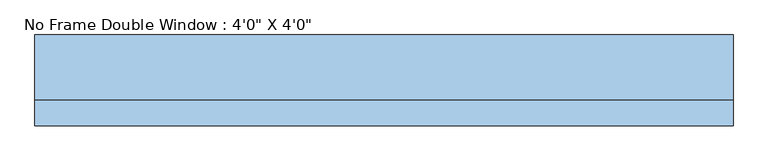
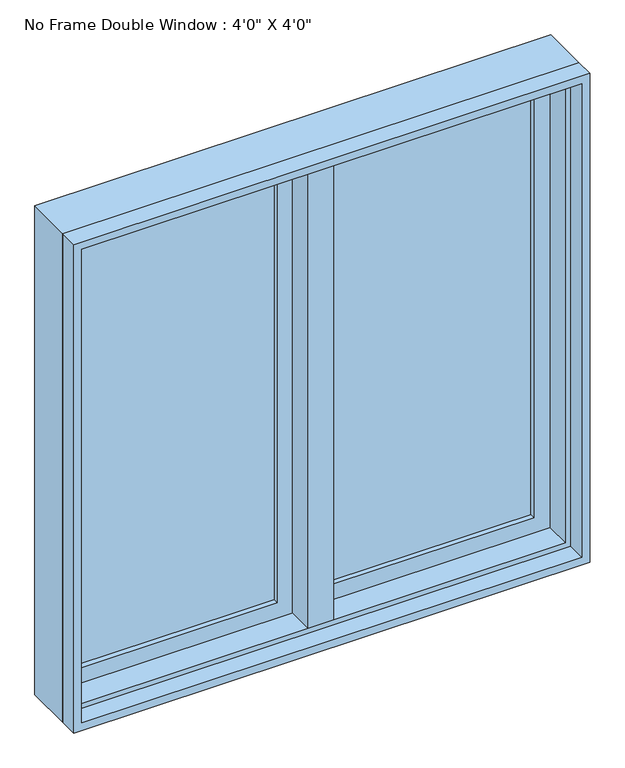
"""IFC4 building model written with IfcOpenShell, lengths in millimetres: window geometry."""

import ifcopenshell
import ifcopenshell.guid

model = None  # the IFC model being written
_history = None  # IfcOwnerHistory: only IFC2X3 demands one
_inside = {}  # id of a spatial element -> (the spatial element, [elements in it])
_under = {}  # id of a project, library or spatial element -> (it, [spatial elements below it])
_declared = {}  # id of a project -> (the project, [libraries it declares])
_typed = {}  # id of a type object -> (the type object, [elements of that type])
_made_of = {}  # id of a material, layer set ... -> (it, [elements and type objects made of it])


def new_model(schema):
    """Start an empty IFC model of exactly this schema.

    Asked for "IFC4X3", IfcOpenShell would pick the latest addendum, in which some entities
    have other attributes; the version numbers below select the first issue.
    IFC2X3 requires an IfcOwnerHistory on every rooted entity: one is made here for all.
    """
    global model, _history
    if schema == "IFC4X3":
        model = ifcopenshell.file(schema_version=(4, 3, 0, 0))
    else:
        model = ifcopenshell.file(schema=schema)
    _inside.clear()
    _under.clear()
    _declared.clear()
    _typed.clear()
    _made_of.clear()
    _history = None
    if model.schema == "IFC2X3":
        org = make("IfcOrganization", Name="unknown")
        user = make(
            "IfcPersonAndOrganization",
            ThePerson=make("IfcPerson", FamilyName="unknown"),
            TheOrganization=org,
        )
        app = make(
            "IfcApplication",
            ApplicationDeveloper=org,
            Version="unknown",
            ApplicationFullName="unknown",
            ApplicationIdentifier="unknown",
        )
        _history = make(
            "IfcOwnerHistory",
            OwningUser=user,
            OwningApplication=app,
            ChangeAction="ADDED",
            CreationDate=0,
        )
    return model


def make(cls, **values):
    """One entity of the class cls with the attributes given. An attribute that is None is left unset."""
    return model.create_entity(
        cls, **{name: value for name, value in values.items() if value is not None}
    )


def rooted(cls, **values):
    """An entity with a GlobalId (a new one), such as an element, a storey or a relation."""
    return make(cls, GlobalId=ifcopenshell.guid.new(), OwnerHistory=_history, **values)


def si_unit(unit_type, name, prefix=None):
    """IfcSIUnit, for example si_unit("LENGTHUNIT", "METRE", prefix="MILLI")."""
    return make("IfcSIUnit", UnitType=unit_type, Prefix=prefix, Name=name)


def assignment(units):
    """IfcUnitAssignment: the units of a project."""
    return None if units is None else make("IfcUnitAssignment", Units=units)


def point(xyz):
    """IfcCartesianPoint."""
    return None if xyz is None else make("IfcCartesianPoint", Coordinates=xyz)


def direction(xyz):
    """IfcDirection."""
    return None if xyz is None else make("IfcDirection", DirectionRatios=xyz)


def frame(location, z_axis=None, x_axis=None):
    """IfcAxis2Placement3D, a coordinate frame: its origin and axes. An axis left out is left unset."""
    return make(
        "IfcAxis2Placement3D",
        Location=point(location),
        Axis=direction(z_axis),
        RefDirection=direction(x_axis),
    )


def origin():
    """The frame at (0, 0, 0) with its axes left unset."""
    return frame((0.0, 0.0, 0.0))


def place(relative_to, where):
    """IfcLocalPlacement: puts the frame where relative to a parent placement (None: the world)."""
    return make(
        "IfcLocalPlacement", PlacementRelTo=relative_to, RelativePlacement=where
    )


def context(
    kind, dimensions, precision=None, world=None, true_north=None, identifier=None
):
    """IfcGeometricRepresentationContext, for example the 3D "Model" context."""
    return make(
        "IfcGeometricRepresentationContext",
        ContextIdentifier=identifier,
        ContextType=kind,
        CoordinateSpaceDimension=dimensions,
        Precision=precision,
        WorldCoordinateSystem=world,
        TrueNorth=true_north,
    )


def project(units=None, contexts=None):
    """IfcProject with its units and contexts."""
    return rooted(
        "IfcProject",
        Name="project",
        RepresentationContexts=contexts,
        UnitsInContext=assignment(units),
    )


def spatial(cls, under=None, at=None, **own):
    """A site, building, storey or space (cls), placed at a placement, below another one or the project."""
    s = rooted(cls, ObjectPlacement=at, **own)
    if under is not None:
        _under.setdefault(under.id(), (under, []))[1].append(s)
    return s


def polyline(points):
    """IfcPolyline through the points."""
    return make("IfcPolyline", Points=[point(p) for p in points])


def outline(outer, holes=None, kind="AREA"):
    """IfcArbitraryClosedProfileDef: a profile drawn as a closed curve; with holes, ...WithVoids."""
    if holes is None:
        return make("IfcArbitraryClosedProfileDef", ProfileType=kind, OuterCurve=outer)
    return make(
        "IfcArbitraryProfileDefWithVoids",
        ProfileType=kind,
        OuterCurve=outer,
        InnerCurves=holes,
    )


def extrude(swept, where, along, depth):
    """IfcExtrudedAreaSolid: the profile swept, set in the frame where, extruded along a direction by depth."""
    return make(
        "IfcExtrudedAreaSolid",
        SweptArea=swept,
        Position=where,
        ExtrudedDirection=direction(along),
        Depth=depth,
    )


def faces_of(points, faces, orient=None, outer=None):
    """IfcFace entities. A face is a list of loops; a loop is a list of indices into points, from 0.

    orient and outer hold one flag for each loop. By default every Orientation is true, the
    first loop of a face is its IfcFaceOuterBound and the others are IfcFaceBound.
    """
    made = []
    for i, loops in enumerate(faces):
        bounds = []
        for j, loop in enumerate(loops):
            is_outer = j == 0 if outer is None else outer[i][j]
            bounds.append(
                make(
                    "IfcFaceOuterBound" if is_outer else "IfcFaceBound",
                    Bound=make("IfcPolyLoop", Polygon=[points[k] for k in loop]),
                    Orientation=True if orient is None else orient[i][j],
                )
            )
        made.append(make("IfcFace", Bounds=bounds))
    return made


def faceted_brep(points, faces, orient=None, outer=None, voids=None):
    """IfcFacetedBrep: a solid bounded by flat faces; with voids (closed shells), ...WithVoids."""
    shared = [point(p) for p in points]
    hull = make("IfcClosedShell", CfsFaces=faces_of(shared, faces, orient, outer))
    if voids is None:
        return make("IfcFacetedBrep", Outer=hull)
    return make(
        "IfcFacetedBrepWithVoids",
        Outer=hull,
        Voids=[
            make(cls, CfsFaces=faces_of(shared, fs, o, b)) for cls, fs, o, b in voids
        ],
    )


def shape(context_of_items, identifier, shape_type, items):
    """IfcShapeRepresentation: the items that make up one representation, for example the "Body"."""
    return make(
        "IfcShapeRepresentation",
        ContextOfItems=context_of_items,
        RepresentationIdentifier=identifier,
        RepresentationType=shape_type,
        Items=items,
    )


def source(mapping_origin, context_of_items, identifier, shape_type, items):
    """IfcRepresentationMap: a shape defined once, which mapped items show again and again."""
    return make(
        "IfcRepresentationMap",
        MappingOrigin=mapping_origin,
        MappedRepresentation=shape(context_of_items, identifier, shape_type, items),
    )


def transform(
    local_origin,
    x_axis=None,
    y_axis=None,
    z_axis=None,
    scale=None,
    scale2=None,
    scale3=None,
    uniform=True,
):
    """IfcCartesianTransformationOperator3D, or its non-uniform kind. x_axis, y_axis, z_axis: its Axis1, 2, 3."""
    if uniform:
        return make(
            "IfcCartesianTransformationOperator3D",
            Axis1=direction(x_axis),
            Axis2=direction(y_axis),
            LocalOrigin=point(local_origin),
            Scale=scale,
            Axis3=direction(z_axis),
        )
    return make(
        "IfcCartesianTransformationOperator3DnonUniform",
        Axis1=direction(x_axis),
        Axis2=direction(y_axis),
        LocalOrigin=point(local_origin),
        Scale=scale,
        Axis3=direction(z_axis),
        Scale2=scale2,
        Scale3=scale3,
    )


def mapped(mapping_source, mapping_target):
    """IfcMappedItem: shows the shape of a source again, moved by a transform."""
    return make(
        "IfcMappedItem", MappingSource=mapping_source, MappingTarget=mapping_target
    )


def made_of(thing, what):
    """Note that an element or type object is made of a material, layer set ...; save() writes the relation."""
    if what is not None:
        _made_of.setdefault(what.id(), (what, []))[1].append(thing)
    return thing


def element(
    cls,
    number,
    at=None,
    inside=None,
    cuts=None,
    type_object=None,
    material=None,
    context=None,
    identifier="Body",
    shape_type=None,
    held_by="IfcProductDefinitionShape",
    body=None,
    shapes=None,
    **own,
):
    """One element of the class cls, such as IfcWall. Its Tag is "e" and its number.

    at: its placement. inside: the storey or other place that contains it. cuts: it is an
    opening in that element (IfcRelVoidsElement). A single representation is given by context,
    identifier, shape_type and body (its items); several are given by shapes. held_by: the class
    of the entity that holds the representations. save() writes the other relations.
    """
    e = rooted(cls, Tag="e%d" % number, ObjectPlacement=at, **own)
    if body is not None:
        shapes = [shape(context, identifier, shape_type, body)]
    if shapes is not None:
        e.Representation = make(held_by, Representations=shapes)
    if inside is not None:
        _inside.setdefault(inside.id(), (inside, []))[1].append(e)
    if cuts is not None:
        rooted(
            "IfcRelVoidsElement", RelatingBuildingElement=cuts, RelatedOpeningElement=e
        )
    if type_object is not None:
        _typed.setdefault(type_object.id(), (type_object, []))[1].append(e)
    return made_of(e, material)


def aggregate(whole, parts):
    """IfcRelAggregates: a whole, such as a stair, and the parts it consists of."""
    return rooted("IfcRelAggregates", RelatingObject=whole, RelatedObjects=parts)


def save(model, path):
    """Write the relations noted so far, then the file.

    IfcRelAggregates (storeys below a building ...), IfcRelContainedInSpatialStructure (elements
    in a storey), IfcRelDefinesByType, IfcRelAssociatesMaterial and IfcRelDeclares: one each for
    every whole, place, type object, material and project.
    """
    for whole, parts in _under.values():
        aggregate(whole, parts)
    for where, things in _inside.values():
        rooted(
            "IfcRelContainedInSpatialStructure",
            RelatedElements=things,
            RelatingStructure=where,
        )
    for kind, things in _typed.values():
        rooted("IfcRelDefinesByType", RelatedObjects=things, RelatingType=kind)
    for what, things in _made_of.values():
        rooted("IfcRelAssociatesMaterial", RelatedObjects=things, RelatingMaterial=what)
    for by, libraries in _declared.values():
        rooted("IfcRelDeclares", RelatingContext=by, RelatedDefinitions=libraries)
    model.write(path)


def window_1f388a4f(model_context):
    return source(origin(), model_context, "Body", "SolidModel", [
        faceted_brep([(9.525, 88.9, 2120.9), (-9.525, 88.9, 2120.9), (-9.525, 38.1, 2120.9), (9.525, 38.1, 2120.9), (9.525, 88.9, 927.1), (9.525, 38.1, 927.1), (-9.525, 38.1, 927.1), (-9.525, 88.9, 927.1), (-9.525, 38.1, 946.15), (-9.525, 38.1, 2101.85), (-30.1625, 38.1, 946.15), (-30.1625, 38.1, 2101.85), (-30.1625, -25.4, 946.15), (-30.1625, -25.4, 2101.85), (30.1625, -25.4, 946.15), (30.1625, -25.4, 2101.85), (30.1625, 38.1, 946.15), (30.1625, 38.1, 2101.85), (9.525, 38.1, 946.15), (9.525, 38.1, 2101.85)], [[[0, 1, 2, 3]], [[4, 5, 6, 7]], [[1, 0, 4, 7]], [[2, 1, 7, 6, 8, 9]], [[9, 8, 10, 11]], [[11, 10, 12, 13]], [[13, 12, 14, 15]], [[15, 14, 16, 17]], [[17, 16, 18, 19]], [[0, 3, 19, 18, 5, 4]], [[18, 8, 6, 5]], [[9, 19, 3, 2]], [[8, 18, 16, 14, 12, 10]], [[19, 9, 11, 13, 15, 17]]]),
        extrude(outline(polyline([(-66.675, 69.85), (-66.675, 63.5), (-539.75, 63.5), (-539.75, 69.85), (-66.675, 69.85)])), frame((0.0, 0.0, 984.25), z_axis=(0.0, 0.0, 1.0), x_axis=(1.0, 0.0, 0.0)), (0.0, 0.0, 1.0), 1079.5),
        extrude(outline(polyline([(-539.75, 50.8), (-539.75, 57.15), (-66.675, 57.15), (-66.675, 50.8), (-539.75, 50.8)])), frame((0.0, 0.0, 984.25), z_axis=(0.0, 0.0, 1.0), x_axis=(1.0, 0.0, 0.0)), (0.0, 0.0, 1.0), 1079.5),
        extrude(outline(polyline([(539.75, 69.85), (539.75, 63.5), (66.675, 63.5), (66.675, 69.85), (539.75, 69.85)])), frame((0.0, 0.0, 984.25), z_axis=(0.0, 0.0, 1.0), x_axis=(1.0, 0.0, 0.0)), (0.0, 0.0, 1.0), 1079.5),
        extrude(outline(polyline([(66.675, 50.8), (66.675, 57.15), (539.75, 57.15), (539.75, 50.8), (66.675, 50.8)])), frame((0.0, 0.0, 984.25), z_axis=(0.0, 0.0, 1.0), x_axis=(1.0, 0.0, 0.0)), (0.0, 0.0, 1.0), 1079.5),
        extrude(outline(polyline([(2120.9, -596.9), (927.1, -596.9), (927.1, -9.525), (2120.9, -9.525), (2120.9, -596.9)]), holes=[polyline([(2063.75, -66.675), (984.25, -66.675), (984.25, -539.75), (2063.75, -539.75), (2063.75, -66.675)])]), frame((0.0, 38.1, 0.0), z_axis=(0.0, 1.0, 0.0), x_axis=(0.0, 0.0, 1.0)), (0.0, 0.0, 1.0), 44.45),
        extrude(outline(polyline([(927.1, 596.9), (2120.9, 596.9), (2120.9, 9.525), (927.1, 9.525), (927.1, 596.9)]), holes=[polyline([(984.25, 66.675), (2063.75, 66.675), (2063.75, 539.75), (984.25, 539.75), (984.25, 66.675)])]), frame((0.0, 38.1, 0.0), z_axis=(0.0, 1.0, 0.0), x_axis=(0.0, 0.0, 1.0)), (0.0, 0.0, 1.0), 44.45),
        extrude(outline(polyline([(2133.6, -609.6), (914.4, -609.6), (914.4, 609.6), (2133.6, 609.6), (2133.6, -609.6)]), holes=[polyline([(2114.55, 590.55), (933.45, 590.55), (933.45, -590.55), (2114.55, -590.55), (2114.55, 590.55)])]), frame((0.0, -69.85, 0.0), z_axis=(0.0, 1.0, 0.0), x_axis=(0.0, 0.0, 1.0)), (0.0, 0.0, 1.0), 44.45),
        faceted_brep([(577.85, 38.1, 2101.85), (577.85, -25.4, 2101.85), (-577.85, -25.4, 2101.85), (-577.85, 38.1, 2101.85), (596.9, 88.9, 2120.9), (596.9, 38.1, 2120.9), (-596.9, 38.1, 2120.9), (-596.9, 88.9, 2120.9), (609.6, -25.4, 2133.6), (609.6, 88.9, 2133.6), (-609.6, 88.9, 2133.6), (-609.6, -25.4, 2133.6), (-577.85, -25.4, 946.15), (-577.85, 38.1, 946.15), (-596.9, 38.1, 927.1), (-596.9, 88.9, 927.1), (-609.6, 88.9, 914.4), (-609.6, -25.4, 914.4), (577.85, -25.4, 946.15), (577.85, 38.1, 946.15), (596.9, 38.1, 927.1), (596.9, 88.9, 927.1), (609.6, 88.9, 914.4), (609.6, -25.4, 914.4)], [[[0, 1, 2, 3]], [[4, 5, 6, 7]], [[8, 9, 10, 11]], [[3, 2, 12, 13]], [[7, 6, 14, 15]], [[11, 10, 16, 17]], [[13, 12, 18, 19]], [[15, 14, 20, 21]], [[17, 16, 22, 23]], [[11, 17, 23, 8], [1, 18, 12, 2]], [[19, 18, 1, 0]], [[5, 20, 14, 6], [3, 13, 19, 0]], [[21, 20, 5, 4]], [[23, 22, 9, 8]], [[9, 22, 16, 10], [7, 15, 21, 4]]]),
    ])


if __name__ == "__main__":
    model = new_model("IFC4")
    model_context = context("Model", 3, world=origin())
    ifc_project = project(units=[si_unit("LENGTHUNIT", "METRE", prefix="MILLI")], contexts=[model_context])
    site = spatial("IfcSite", under=ifc_project)
    building = spatial("IfcBuilding", under=site)
    placement = place(None, origin())
    window_shape = window_1f388a4f(model_context)
    element("IfcWindow", 1, ObjectType="No Frame Double Window : 4'0\" X 4'0\"", at=placement, inside=building, context=model_context, shape_type="MappedRepresentation", body=[
        mapped(window_shape, transform((0.0, 0.0, 0.0), x_axis=(1.0, 0.0, 0.0), y_axis=(0.0, 1.0, 0.0), z_axis=(0.0, 0.0, 1.0))),
    ])
    save(model, "model.ifc")
